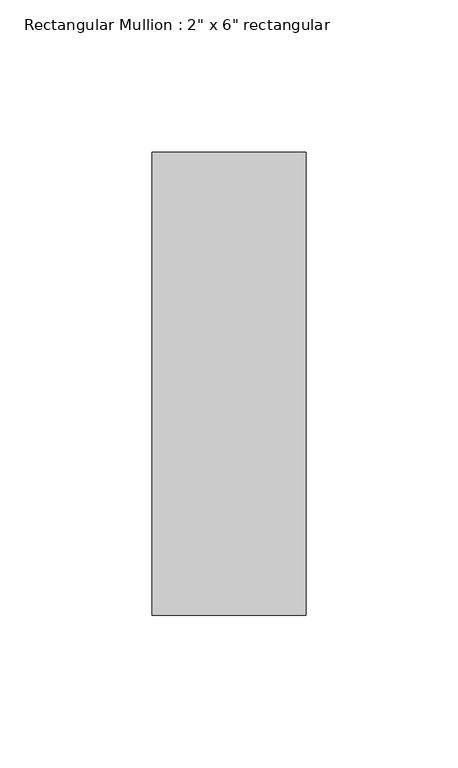
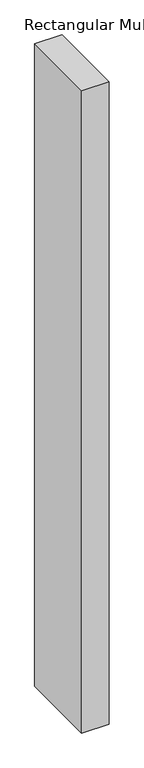
"""IFC4 building model written with IfcOpenShell, lengths in millimetres: member geometry."""

from ifc_helpers import new_model, si_unit, frame, origin, place, context, project, spatial, polyline, outline, extrude, source, transform, mapped, element, save


def member_e1c09be6(model_context):
    return source(origin(), model_context, "Body", "SweptSolid", [
        extrude(outline(polyline([(0.0, 76.2), (0.0, -76.2), (-50.8, -76.2), (-50.8, 76.2), (0.0, 76.2)])), frame((0.0, 0.0, -1270.0), z_axis=(0.0, 0.0, 1.0), x_axis=(1.0, 0.0, 0.0)), (0.0, 0.0, 1.0), 1270.0),
    ])


if __name__ == "__main__":
    model = new_model("IFC4")
    model_context = context("Model", 3, world=origin())
    ifc_project = project(units=[si_unit("LENGTHUNIT", "METRE", prefix="MILLI")], contexts=[model_context])
    site = spatial("IfcSite", under=ifc_project)
    building = spatial("IfcBuilding", under=site)
    placement = place(None, origin())
    member_shape = member_e1c09be6(model_context)
    element("IfcMember", 1, ObjectType="Rectangular Mullion : 2\" x 6\" rectangular", at=placement, inside=building, context=model_context, shape_type="MappedRepresentation", body=[
        mapped(member_shape, transform((0.0, 0.0, 0.0), x_axis=(1.0, 0.0, 0.0), y_axis=(0.0, 1.0, 0.0), z_axis=(0.0, 0.0, 1.0))),
    ])
    save(model, "model.ifc")
